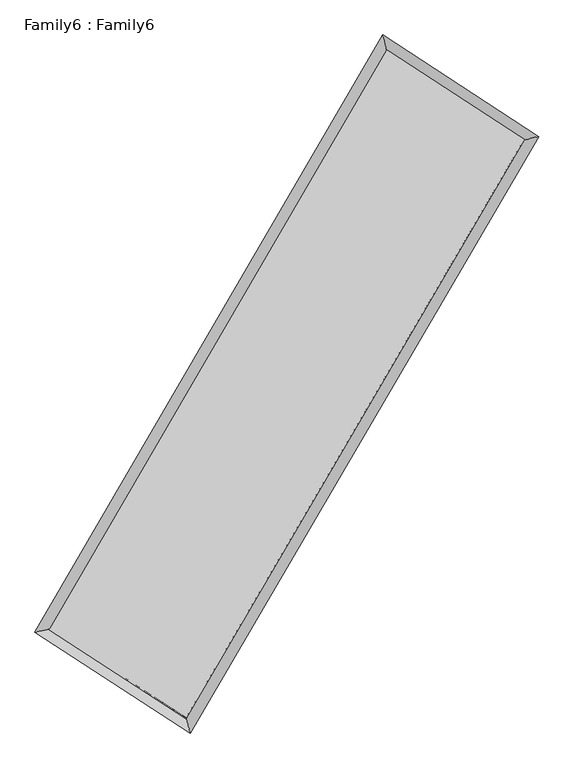
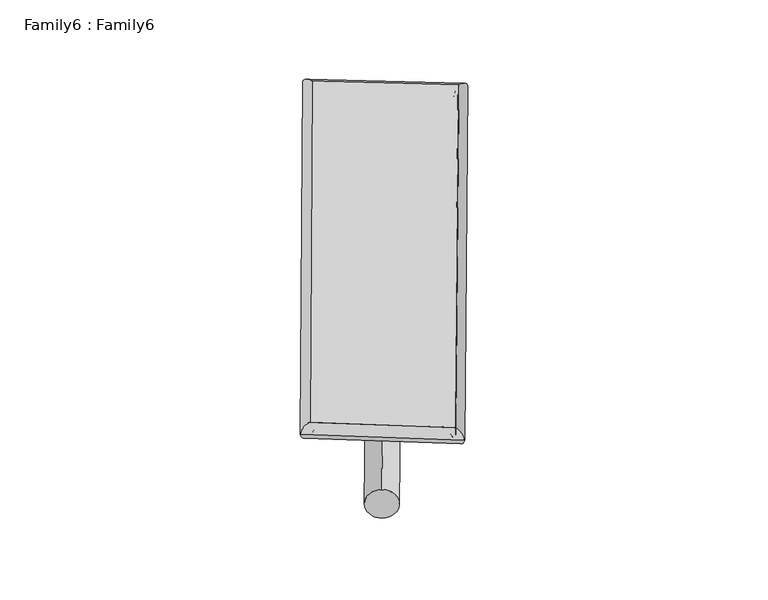
"""IFC4 building model written with IfcOpenShell, lengths in millimetres: plate geometry, Family6 : Family6."""

from ifc_helpers import new_model, si_unit, point, frame, origin, origin_2d, place, context, project, spatial, circle_curve, ellipse_curve, trimmed, segment, composite_curve, outline, extrude, source, transform, mapped, element, save
from ifc_brep_helpers import plane_surface, cylinder_surface, spline_surface, advanced_brep


def family6_family6_7fd0510f(model_context):
    return source(origin(), model_context, "Body", "SolidModel", [
        extrude(outline(composite_curve([segment(trimmed(circle_curve(origin_2d(), 76.2), [point((-75.4341515, -10.7763073))], [point((75.4341515, 10.7763073))], False, "CARTESIAN"), True, "CONTINUOUS"), segment(trimmed(circle_curve(origin_2d(), 76.2), [point((75.4341515, 10.7763073))], [point((-75.4341515, -10.7763073))], False, "CARTESIAN"), True, "CONTINUOUS")], self_intersect=False)), frame((9144.0, 9144.0, 0.0), z_axis=(0.6715645470881219, 0.6871641788796359, 0.2771397668307483), x_axis=(-0.679564598181207, 0.7202850518789391, -0.13921710002212032)), (0.0, 0.0, 1.0), 5527.0521212),
        extrude(outline(composite_curve([segment(trimmed(circle_curve(origin_2d(), 76.2), [point((-53.8815367, 53.8815367))], [point((53.8815367, -53.8815367))], False, "CARTESIAN"), True, "CONTINUOUS"), segment(trimmed(circle_curve(origin_2d(), 76.2), [point((53.8815367, -53.8815367))], [point((-53.8815367, 53.8815367))], False, "CARTESIAN"), True, "CONTINUOUS")], self_intersect=False)), frame((9144.0, 9144.0, 0.0), z_axis=(-0.6702393581733184, -0.6884444190710899, 0.2771704973572908), x_axis=(0.6448790387209157, -0.35541765011599624, 0.6766160797708041)), (0.0, 0.0, 1.0), 5526.3754442),
        extrude(outline(composite_curve([segment(trimmed(circle_curve(origin_2d(), 76.2), [point((-53.8815368, -53.8815367))], [point((53.8815368, 53.8815367))], False, "CARTESIAN"), True, "CONTINUOUS"), segment(trimmed(circle_curve(origin_2d(), 76.2), [point((53.8815368, 53.8815367))], [point((-53.8815368, -53.8815367))], False, "CARTESIAN"), True, "CONTINUOUS")], self_intersect=False)), frame((9144.0, 9144.0, 0.0), z_axis=(0.2736002309604678, 0.923663980568761, 0.2683053570435194), x_axis=(-0.8393891580310959, 0.3654947693261997, -0.40229269813785595)), (0.0, 0.0, 1.0), 5640.8869498),
        extrude(outline(composite_curve([segment(trimmed(circle_curve(origin_2d(), 76.2), [point((-75.4341514, 10.7763074))], [point((75.4341514, -10.7763074))], False, "CARTESIAN"), True, "CONTINUOUS"), segment(trimmed(circle_curve(origin_2d(), 76.2), [point((75.4341514, -10.7763074))], [point((-75.4341514, 10.7763074))], False, "CARTESIAN"), True, "CONTINUOUS")], self_intersect=False)), frame((9144.0, 9144.0, 0.0), z_axis=(-0.27506128256413964, -0.9231602258473782, 0.2685451326082612), x_axis=(0.8788795774610608, -0.1282017890522189, 0.45949427592264686)), (0.0, 0.0, 1.0), 5635.3638316),
        advanced_brep(
        [(5235.2754465, 5290.600524, 1530.3083268), (5235.265239, 5290.5855252, 1533.5776209), (5644.735892, 5388.1948115, 1533.1881341), (10738.4421937, 14139.1359827, 1515.4549576), (10636.2537508, 14569.4322052, 1511.5054166), (5644.7460995, 5388.2098103, 1529.91884), (12650.9151415, 12893.5448861, 1531.5823366), (13060.6293675, 12990.4395788, 1531.9495356), (7542.9488172, 4156.4130327, 1513.7044939), (7644.9103763, 3726.8994724, 1512.994561)],
        [
            (0, 1, ellipse_curve(frame((5440.0056693, 5339.3976678, 1531.7482304), z_axis=(-0.23187693590254518, 0.9727379444654197, 0.0037387155062634397), x_axis=(-0.9727188197823343, -0.23189721959462486, 0.006463527329938722)), 210.4870905, 152.4)),
            (1, 2, ellipse_curve(frame((5440.0056693, 5339.3976678, 1531.7482304), z_axis=(-0.23187693590254518, 0.9727379444654197, 0.0037387155062634397), x_axis=(-0.9727188197823343, -0.23189721959462486, 0.006463527329938722)), 210.4870905, 152.4)),
            (2, 3),
            (3, 4, ellipse_curve(frame((10687.3479723, 14354.284094, 1513.4801871), z_axis=(-0.9729248731988168, -0.23108942595187068, -0.003855946615395864), x_axis=(0.2310640414633073, -0.9729195198291823, 0.00608413329866877)), 221.1417348, 152.4)),
            (4, 0),
            (2, 5, ellipse_curve(frame((5440.0056693, 5339.3976678, 1531.7482304), z_axis=(-0.23187693590254518, 0.9727379444654197, 0.0037387155062634397), x_axis=(-0.9727188197823343, -0.23189721959462486, 0.006463527329938722)), 210.4870905, 152.4)),
            (5, 0, ellipse_curve(frame((5440.0056693, 5339.3976678, 1531.7482304), z_axis=(-0.23187693590254518, 0.9727379444654197, 0.0037387155062634397), x_axis=(-0.9727188197823343, -0.23189721959462486, 0.006463527329938722)), 210.4870905, 152.4)),
            (4, 3, ellipse_curve(frame((10687.3479723, 14354.284094, 1513.4801871), z_axis=(-0.9729248731988168, -0.23108942595187068, -0.003855946615395864), x_axis=(0.2310640414633073, -0.9729195198291823, 0.00608413329866877)), 221.1417348, 152.4)),
            (3, 6),
            (6, 7, ellipse_curve(frame((12855.7722545, 12941.9922325, 1531.7659361), z_axis=(-0.23014036291535717, 0.9731505622004027, -0.0036601429244804465), x_axis=(-0.9731317466861985, -0.2301599909568013, -0.006401730565514431)), 210.5109169, 152.4)),
            (7, 4),
            (7, 6, ellipse_curve(frame((12855.7722545, 12941.9922325, 1531.7659361), z_axis=(-0.23014036291535717, 0.9731505622004027, -0.0036601429244804465), x_axis=(-0.9731317466861985, -0.2301599909568013, -0.006401730565514431)), 210.5109169, 152.4)),
            (6, 8),
            (8, 9, ellipse_curve(frame((7593.9295968, 3941.6562525, 1513.3495274), z_axis=(0.9729520570040674, 0.23097404458928555, -0.003909667200796704), x_axis=(-0.2309479241904822, 0.9729465266004013, 0.006173547466571425)), 220.7277853, 152.4)),
            (9, 7),
            (9, 8, ellipse_curve(frame((7593.9295968, 3941.6562525, 1513.3495274), z_axis=(0.9729520570040674, 0.23097404458928555, -0.003909667200796704), x_axis=(-0.2309479241904822, 0.9729465266004013, 0.006173547466571425)), 220.7277853, 152.4)),
            (8, 5),
            (1, 9),
        ],
        [
            cylinder_surface(frame((5440.0056693, 5339.3976678, 1531.7482304), z_axis=(-0.5030587838715069, -0.8642504224847719, 0.0017513436596201448), x_axis=(-0.8642081407467064, 0.5030116462030021, -0.011116350627197768)), 152.4),
            cylinder_surface(frame((10687.3479723, 14354.284094, 1513.4801871), z_axis=(-0.8379250952466859, 0.5457395041470817, -0.007066000929081863), x_axis=(0.5457775216905831, 0.8379118901054081, -0.005528221890231308)), 152.4),
            cylinder_surface(frame((12855.7722545, 12941.9922325, 1531.7659361), z_axis=(0.5047035044045709, 0.863290943000432, 0.0017664583692508704), x_axis=(0.8632926176584783, -0.5047035044045709, -0.00047847478285385867)), 152.4),
            cylinder_surface(frame((7593.9295968, 3941.6562525, 1513.3495274), z_axis=(0.8388327731409609, -0.5443420227086411, -0.00716526469232369), x_axis=(-0.5443175767922576, -0.8388632581939995, 0.005177803313414241)), 152.4),
        ],
        [
            (0, [[1, 2, 3, 4, 5]]),
            (0, [[6, 7, -5, 8, -3]]),
            (1, [[-4, 9, 10, 11]]),
            (1, [[-8, -11, 12, -9]]),
            (2, [[-10, 13, 14, 15]]),
            (2, [[-12, -15, 16, -13]]),
            (3, [[-14, 17, -6, -2, 18]]),
            (3, [[-16, -18, -1, -7, -17]]),
        ],
    ),
        extrude(outline(composite_curve([segment(trimmed(circle_curve(origin_2d(), 304.8), [point((0.0, 304.8))], [point((0.0, -304.8))], False, "CARTESIAN"), True, "CONTINUOUS"), segment(trimmed(circle_curve(origin_2d(), 304.8), [point((0.0, -304.8))], [point((0.0, 304.8))], False, "CARTESIAN"), True, "CONTINUOUS")], self_intersect=False)), frame((11785.3493575, 13649.5673762, -0.0009211), z_axis=(-0.5057415429625982, -0.8626850478139628, 1.7636912480764465e-07), x_axis=(-0.8626850478139795, 0.5057415429625982, -4.788635277652688e-08)), (0.0, 0.0, 1.0), 10445.4514139),
        advanced_brep(
        [(5440.0056693, 5339.3976678, 1531.7482304), (7593.9295968, 3941.6562525, 1513.3495274), (7593.9283066, 3941.655814, 1665.7495274), (5440.0043791, 5339.3972293, 1684.1482304), (12855.7722545, 12941.9922325, 1531.7659361), (12855.7709643, 12941.991794, 1684.1659361), (10687.3479723, 14354.284094, 1513.4801871), (10687.3466821, 14354.2836554, 1665.8801871)],
        [
            (0, 1),
            (1, 2),
            (2, 3),
            (3, 0),
            (1, 4),
            (4, 5),
            (5, 2),
            (4, 6),
            (6, 7),
            (7, 5),
            (6, 0),
            (3, 7),
        ],
        [
            plane_surface(frame((6516.967633, 4640.5269601, 1522.5488789), z_axis=(-0.5443560389772567, -0.8388542798243831, -7.021920113920669e-06), x_axis=(0.8388327731409608, -0.5443420227086408, -0.0071652646923236855))),
            plane_surface(frame((10224.8509256, 8441.8242425, 1522.5577318), z_axis=(0.8632922846637101, -0.504704300760177, 5.8560245748593386e-06), x_axis=(0.5047035044045712, 0.8632909430004319, 0.001766458369250875))),
            plane_surface(frame((11771.5601134, 13648.1381632, 1522.6230616), z_axis=(0.545753086953614, 0.8379460412408215, 7.031133580995882e-06), x_axis=(-0.8379250952466857, 0.5457395041470819, -0.007066000929081862))),
            plane_surface(frame((8063.6768208, 9846.8408809, 1522.6142088), z_axis=(-0.8642517530600462, 0.5030595464735695, -5.868879472766442e-06), x_axis=(-0.5030587838715072, -0.8642504224847717, 0.001751343659620146))),
            spline_surface(1, 1, [[(7593.9283066, 3941.655814, 1665.7495274), (5440.0043791, 5339.3972293, 1684.1482304)], [(12855.7709643, 12941.991794, 1684.1659361), (10687.3466821, 14354.2836554, 1665.8801871)]], [2, 2], [2, 2], [0.0, 1.0], [0.0, 1.0]),
            spline_surface(1, 1, [[(10687.3479723, 14354.284094, 1513.4801871), (5440.0056693, 5339.3976678, 1531.7482304)], [(12855.7722545, 12941.9922325, 1531.7659361), (7593.9295968, 3941.6562525, 1513.3495274)]], [2, 2], [2, 2], [0.0, 1.0], [0.0, 1.0]),
        ],
        [
            (0, [[1, 2, 3, 4]]),
            (1, [[5, 6, 7, -2]]),
            (2, [[8, 9, 10, -6]]),
            (3, [[11, -4, 12, -9]]),
            (4, [[-3, -7, -10, -12]]),
            (5, [[-11, -8, -5, -1]]),
        ],
    ),
    ])


if __name__ == "__main__":
    model = new_model("IFC4")
    model_context = context("Model", 3, world=origin())
    ifc_project = project(units=[si_unit("LENGTHUNIT", "METRE", prefix="MILLI")], contexts=[model_context])
    site = spatial("IfcSite", under=ifc_project)
    building = spatial("IfcBuilding", under=site)
    placement = place(None, origin())
    family6_family6_shape = family6_family6_7fd0510f(model_context)
    element("IfcPlate", 1, ObjectType="Family6 : Family6", at=placement, inside=building, context=model_context, shape_type="MappedRepresentation", body=[
        mapped(family6_family6_shape, transform((0.0, 0.0, 0.0), x_axis=(1.0, 0.0, 0.0), y_axis=(0.0, 1.0, 0.0), z_axis=(0.0, 0.0, 1.0))),
    ])
    save(model, "model.ifc")
